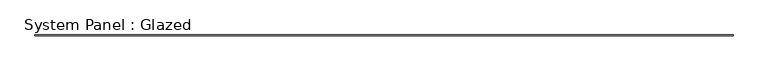
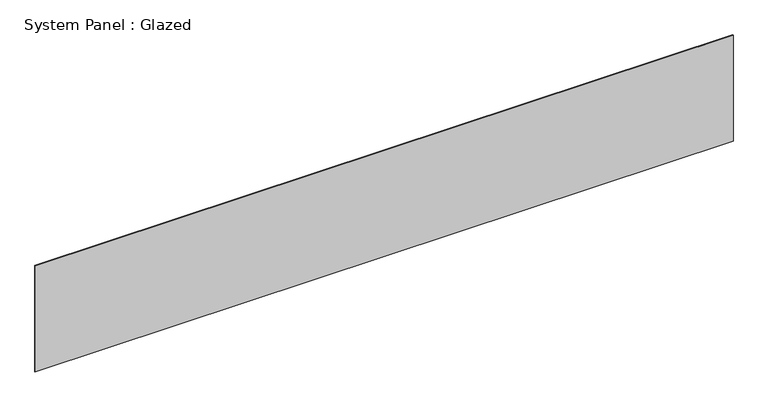
"""IFC4 building model written with IfcOpenShell, lengths in millimetres: plate geometry, System Panel : Glazed."""

import ifcopenshell
import ifcopenshell.guid

model = None  # the IFC model being written
_history = None  # IfcOwnerHistory: only IFC2X3 demands one
_inside = {}  # id of a spatial element -> (the spatial element, [elements in it])
_under = {}  # id of a project, library or spatial element -> (it, [spatial elements below it])
_declared = {}  # id of a project -> (the project, [libraries it declares])
_typed = {}  # id of a type object -> (the type object, [elements of that type])
_made_of = {}  # id of a material, layer set ... -> (it, [elements and type objects made of it])


def new_model(schema):
    """Start an empty IFC model of exactly this schema.

    Asked for "IFC4X3", IfcOpenShell would pick the latest addendum, in which some entities
    have other attributes; the version numbers below select the first issue.
    IFC2X3 requires an IfcOwnerHistory on every rooted entity: one is made here for all.
    """
    global model, _history
    if schema == "IFC4X3":
        model = ifcopenshell.file(schema_version=(4, 3, 0, 0))
    else:
        model = ifcopenshell.file(schema=schema)
    _inside.clear()
    _under.clear()
    _declared.clear()
    _typed.clear()
    _made_of.clear()
    _history = None
    if model.schema == "IFC2X3":
        org = make("IfcOrganization", Name="unknown")
        user = make(
            "IfcPersonAndOrganization",
            ThePerson=make("IfcPerson", FamilyName="unknown"),
            TheOrganization=org,
        )
        app = make(
            "IfcApplication",
            ApplicationDeveloper=org,
            Version="unknown",
            ApplicationFullName="unknown",
            ApplicationIdentifier="unknown",
        )
        _history = make(
            "IfcOwnerHistory",
            OwningUser=user,
            OwningApplication=app,
            ChangeAction="ADDED",
            CreationDate=0,
        )
    return model


def make(cls, **values):
    """One entity of the class cls with the attributes given. An attribute that is None is left unset."""
    return model.create_entity(
        cls, **{name: value for name, value in values.items() if value is not None}
    )


def rooted(cls, **values):
    """An entity with a GlobalId (a new one), such as an element, a storey or a relation."""
    return make(cls, GlobalId=ifcopenshell.guid.new(), OwnerHistory=_history, **values)


def si_unit(unit_type, name, prefix=None):
    """IfcSIUnit, for example si_unit("LENGTHUNIT", "METRE", prefix="MILLI")."""
    return make("IfcSIUnit", UnitType=unit_type, Prefix=prefix, Name=name)


def assignment(units):
    """IfcUnitAssignment: the units of a project."""
    return None if units is None else make("IfcUnitAssignment", Units=units)


def point(xyz):
    """IfcCartesianPoint."""
    return None if xyz is None else make("IfcCartesianPoint", Coordinates=xyz)


def direction(xyz):
    """IfcDirection."""
    return None if xyz is None else make("IfcDirection", DirectionRatios=xyz)


def frame(location, z_axis=None, x_axis=None):
    """IfcAxis2Placement3D, a coordinate frame: its origin and axes. An axis left out is left unset."""
    return make(
        "IfcAxis2Placement3D",
        Location=point(location),
        Axis=direction(z_axis),
        RefDirection=direction(x_axis),
    )


def origin():
    """The frame at (0, 0, 0) with its axes left unset."""
    return frame((0.0, 0.0, 0.0))


def origin_with_axes():
    """The frame at (0, 0, 0) with the z axis (0, 0, 1) and the x axis (1, 0, 0) written out."""
    return frame((0.0, 0.0, 0.0), z_axis=(0.0, 0.0, 1.0), x_axis=(1.0, 0.0, 0.0))


def place(relative_to, where):
    """IfcLocalPlacement: puts the frame where relative to a parent placement (None: the world)."""
    return make(
        "IfcLocalPlacement", PlacementRelTo=relative_to, RelativePlacement=where
    )


def context(
    kind, dimensions, precision=None, world=None, true_north=None, identifier=None
):
    """IfcGeometricRepresentationContext, for example the 3D "Model" context."""
    return make(
        "IfcGeometricRepresentationContext",
        ContextIdentifier=identifier,
        ContextType=kind,
        CoordinateSpaceDimension=dimensions,
        Precision=precision,
        WorldCoordinateSystem=world,
        TrueNorth=true_north,
    )


def project(units=None, contexts=None):
    """IfcProject with its units and contexts."""
    return rooted(
        "IfcProject",
        Name="project",
        RepresentationContexts=contexts,
        UnitsInContext=assignment(units),
    )


def spatial(cls, under=None, at=None, **own):
    """A site, building, storey or space (cls), placed at a placement, below another one or the project."""
    s = rooted(cls, ObjectPlacement=at, **own)
    if under is not None:
        _under.setdefault(under.id(), (under, []))[1].append(s)
    return s


def polyline(points):
    """IfcPolyline through the points."""
    return make("IfcPolyline", Points=[point(p) for p in points])


def outline(outer, holes=None, kind="AREA"):
    """IfcArbitraryClosedProfileDef: a profile drawn as a closed curve; with holes, ...WithVoids."""
    if holes is None:
        return make("IfcArbitraryClosedProfileDef", ProfileType=kind, OuterCurve=outer)
    return make(
        "IfcArbitraryProfileDefWithVoids",
        ProfileType=kind,
        OuterCurve=outer,
        InnerCurves=holes,
    )


def extrude(swept, where, along, depth):
    """IfcExtrudedAreaSolid: the profile swept, set in the frame where, extruded along a direction by depth."""
    return make(
        "IfcExtrudedAreaSolid",
        SweptArea=swept,
        Position=where,
        ExtrudedDirection=direction(along),
        Depth=depth,
    )


def shape(context_of_items, identifier, shape_type, items):
    """IfcShapeRepresentation: the items that make up one representation, for example the "Body"."""
    return make(
        "IfcShapeRepresentation",
        ContextOfItems=context_of_items,
        RepresentationIdentifier=identifier,
        RepresentationType=shape_type,
        Items=items,
    )


def source(mapping_origin, context_of_items, identifier, shape_type, items):
    """IfcRepresentationMap: a shape defined once, which mapped items show again and again."""
    return make(
        "IfcRepresentationMap",
        MappingOrigin=mapping_origin,
        MappedRepresentation=shape(context_of_items, identifier, shape_type, items),
    )


def transform(
    local_origin,
    x_axis=None,
    y_axis=None,
    z_axis=None,
    scale=None,
    scale2=None,
    scale3=None,
    uniform=True,
):
    """IfcCartesianTransformationOperator3D, or its non-uniform kind. x_axis, y_axis, z_axis: its Axis1, 2, 3."""
    if uniform:
        return make(
            "IfcCartesianTransformationOperator3D",
            Axis1=direction(x_axis),
            Axis2=direction(y_axis),
            LocalOrigin=point(local_origin),
            Scale=scale,
            Axis3=direction(z_axis),
        )
    return make(
        "IfcCartesianTransformationOperator3DnonUniform",
        Axis1=direction(x_axis),
        Axis2=direction(y_axis),
        LocalOrigin=point(local_origin),
        Scale=scale,
        Axis3=direction(z_axis),
        Scale2=scale2,
        Scale3=scale3,
    )


def mapped(mapping_source, mapping_target):
    """IfcMappedItem: shows the shape of a source again, moved by a transform."""
    return make(
        "IfcMappedItem", MappingSource=mapping_source, MappingTarget=mapping_target
    )


def made_of(thing, what):
    """Note that an element or type object is made of a material, layer set ...; save() writes the relation."""
    if what is not None:
        _made_of.setdefault(what.id(), (what, []))[1].append(thing)
    return thing


def element(
    cls,
    number,
    at=None,
    inside=None,
    cuts=None,
    type_object=None,
    material=None,
    context=None,
    identifier="Body",
    shape_type=None,
    held_by="IfcProductDefinitionShape",
    body=None,
    shapes=None,
    **own,
):
    """One element of the class cls, such as IfcWall. Its Tag is "e" and its number.

    at: its placement. inside: the storey or other place that contains it. cuts: it is an
    opening in that element (IfcRelVoidsElement). A single representation is given by context,
    identifier, shape_type and body (its items); several are given by shapes. held_by: the class
    of the entity that holds the representations. save() writes the other relations.
    """
    e = rooted(cls, Tag="e%d" % number, ObjectPlacement=at, **own)
    if body is not None:
        shapes = [shape(context, identifier, shape_type, body)]
    if shapes is not None:
        e.Representation = make(held_by, Representations=shapes)
    if inside is not None:
        _inside.setdefault(inside.id(), (inside, []))[1].append(e)
    if cuts is not None:
        rooted(
            "IfcRelVoidsElement", RelatingBuildingElement=cuts, RelatedOpeningElement=e
        )
    if type_object is not None:
        _typed.setdefault(type_object.id(), (type_object, []))[1].append(e)
    return made_of(e, material)


def aggregate(whole, parts):
    """IfcRelAggregates: a whole, such as a stair, and the parts it consists of."""
    return rooted("IfcRelAggregates", RelatingObject=whole, RelatedObjects=parts)


def save(model, path):
    """Write the relations noted so far, then the file.

    IfcRelAggregates (storeys below a building ...), IfcRelContainedInSpatialStructure (elements
    in a storey), IfcRelDefinesByType, IfcRelAssociatesMaterial and IfcRelDeclares: one each for
    every whole, place, type object, material and project.
    """
    for whole, parts in _under.values():
        aggregate(whole, parts)
    for where, things in _inside.values():
        rooted(
            "IfcRelContainedInSpatialStructure",
            RelatedElements=things,
            RelatingStructure=where,
        )
    for kind, things in _typed.values():
        rooted("IfcRelDefinesByType", RelatedObjects=things, RelatingType=kind)
    for what, things in _made_of.values():
        rooted("IfcRelAssociatesMaterial", RelatedObjects=things, RelatingMaterial=what)
    for by, libraries in _declared.values():
        rooted("IfcRelDeclares", RelatingContext=by, RelatedDefinitions=libraries)
    model.write(path)


def system_panel_glazed_804a0227(model_context):
    return source(origin(), model_context, "Body", "SweptSolid", [
        extrude(outline(polyline([(11200.0, -22.5), (-11200.0, -22.5), (-11200.0, 2.5), (11200.0, 2.5), (11200.0, -22.5)])), origin_with_axes(), (0.0, 0.0, 1.0), 3600.0),
    ])


if __name__ == "__main__":
    model = new_model("IFC4")
    model_context = context("Model", 3, world=origin())
    ifc_project = project(units=[si_unit("LENGTHUNIT", "METRE", prefix="MILLI")], contexts=[model_context])
    site = spatial("IfcSite", under=ifc_project)
    building = spatial("IfcBuilding", under=site)
    placement = place(None, origin())
    system_panel_glazed_shape = system_panel_glazed_804a0227(model_context)
    element("IfcPlate", 1, ObjectType="System Panel : Glazed", at=placement, inside=building, context=model_context, shape_type="MappedRepresentation", body=[
        mapped(system_panel_glazed_shape, transform((0.0, 0.0, 0.0), x_axis=(1.0, 0.0, 0.0), y_axis=(0.0, 1.0, 0.0), z_axis=(0.0, 0.0, 1.0))),
    ])
    save(model, "model.ifc")
